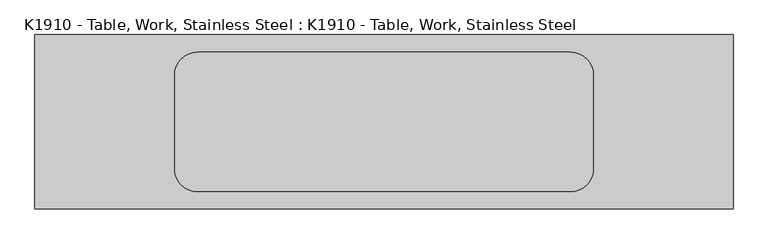
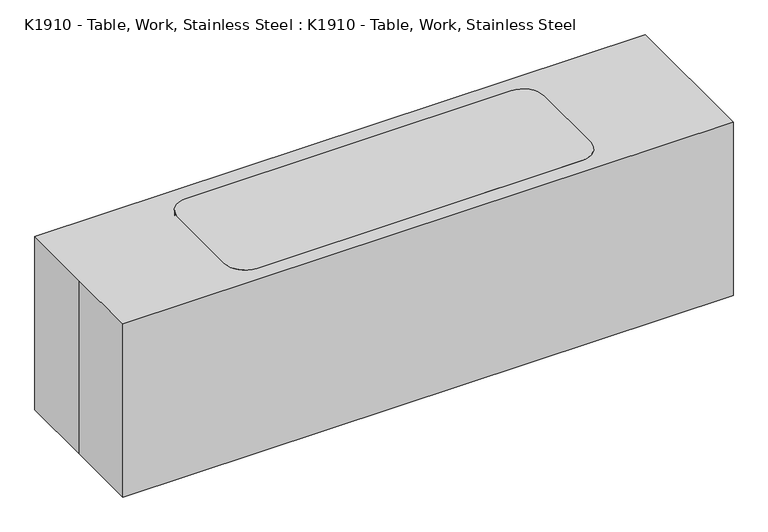
"""IFC4 building model written with IfcOpenShell, lengths in millimetres: proxy geometry, K1910 - Table, Work, Stainless Steel : K1910 - Table, Work, Stainless Steel."""

from ifc_helpers import new_model, si_unit, point, frame, frame_2d, origin, origin_with_axes, place, context, project, spatial, polyline, circle_curve, trimmed, segment, composite_curve, outline, extrude, source, transform, mapped, element, save


def k1910_table_work_stainless_steel_k1910_table_work_stainless_b0c6c40e(model_context):
    return source(origin(), model_context, "Body", "SweptSolid", [
        extrude(outline(composite_curve([segment(trimmed(circle_curve(frame_2d((-812.8, -203.2)), 38.1), [point((-774.7, -203.2))], [point((-850.9, -203.2))], False, "CARTESIAN"), True, "CONTINUOUS"), segment(trimmed(circle_curve(frame_2d((-812.8, -203.2)), 38.1), [point((-850.9, -203.2))], [point((-774.7, -203.2))], False, "CARTESIAN"), True, "CONTINUOUS")], self_intersect=False)), origin_with_axes(), (0.0, 0.0, 1.0), 863.6),
        extrude(outline(composite_curve([segment(trimmed(circle_curve(frame_2d((-812.8, 203.2)), 38.1), [point((-774.7, 203.2))], [point((-850.9, 203.2))], False, "CARTESIAN"), True, "CONTINUOUS"), segment(trimmed(circle_curve(frame_2d((-812.8, 203.2)), 38.1), [point((-850.9, 203.2))], [point((-774.7, 203.2))], False, "CARTESIAN"), True, "CONTINUOUS")], self_intersect=False)), origin_with_axes(), (0.0, 0.0, 1.0), 863.6),
        extrude(outline(composite_curve([segment(trimmed(circle_curve(frame_2d((812.8, 203.2)), 38.1), [point((774.7, 203.2))], [point((812.8, 165.1))], True, "CARTESIAN"), True, "CONTINUOUS"), segment(polyline([(812.8, 165.1), (812.8, -165.1)]), True, "CONTINUOUS"), segment(trimmed(circle_curve(frame_2d((812.8, -203.2)), 38.1), [point((812.8, -165.1))], [point((774.7, -203.2))], True, "CARTESIAN"), True, "CONTINUOUS"), segment(polyline([(774.7, -203.2), (-774.7, -203.2)]), True, "CONTINUOUS"), segment(trimmed(circle_curve(frame_2d((-812.8, -203.2)), 38.1), [point((-774.7, -203.2))], [point((-812.8, -165.1))], True, "CARTESIAN"), True, "CONTINUOUS"), segment(polyline([(-812.8, -165.1), (-812.8, 165.1)]), True, "CONTINUOUS"), segment(trimmed(circle_curve(frame_2d((-812.8, 203.2)), 38.1), [point((-812.8, 165.1))], [point((-774.7, 203.2))], True, "CARTESIAN"), True, "CONTINUOUS"), segment(polyline([(-774.7, 203.2), (774.7, 203.2)]), True, "CONTINUOUS")], self_intersect=False)), frame((0.0, 0.0, 304.8), z_axis=(0.0, 0.0, 1.0), x_axis=(1.0, 0.0, 0.0)), (0.0, 0.0, 1.0), 25.4),
        extrude(outline(composite_curve([segment(trimmed(circle_curve(frame_2d((812.8, -203.2)), 38.1), [point((774.7, -203.2))], [point((850.9, -203.2))], False, "CARTESIAN"), True, "CONTINUOUS"), segment(trimmed(circle_curve(frame_2d((812.8, -203.2)), 38.1), [point((850.9, -203.2))], [point((774.7, -203.2))], False, "CARTESIAN"), True, "CONTINUOUS")], self_intersect=False)), origin_with_axes(), (0.0, 0.0, 1.0), 863.6),
        extrude(outline(composite_curve([segment(trimmed(circle_curve(frame_2d((812.8, 203.2)), 38.1), [point((774.7, 203.2))], [point((850.9, 203.2))], False, "CARTESIAN"), True, "CONTINUOUS"), segment(trimmed(circle_curve(frame_2d((812.8, 203.2)), 38.1), [point((850.9, 203.2))], [point((774.7, 203.2))], False, "CARTESIAN"), True, "CONTINUOUS")], self_intersect=False)), origin_with_axes(), (0.0, 0.0, 1.0), 863.6),
        extrude(outline(composite_curve([segment(trimmed(circle_curve(frame_2d((-812.8, 203.2)), 101.6), [point((-914.4, 203.2))], [point((-812.8, 304.8))], False, "CARTESIAN"), True, "CONTINUOUS"), segment(polyline([(-812.8, 304.8), (812.8, 304.8)]), True, "CONTINUOUS"), segment(trimmed(circle_curve(frame_2d((812.8, 203.2)), 101.6), [point((812.8, 304.8))], [point((914.4, 203.2))], False, "CARTESIAN"), True, "CONTINUOUS"), segment(polyline([(914.4, 203.2), (914.4, -203.2)]), True, "CONTINUOUS"), segment(trimmed(circle_curve(frame_2d((812.8, -203.2)), 101.6), [point((914.4, -203.2))], [point((812.8, -304.8))], False, "CARTESIAN"), True, "CONTINUOUS"), segment(polyline([(812.8, -304.8), (-812.8, -304.8)]), True, "CONTINUOUS"), segment(trimmed(circle_curve(frame_2d((-812.8, -203.2)), 101.6), [point((-812.8, -304.8))], [point((-914.4, -203.2))], False, "CARTESIAN"), True, "CONTINUOUS"), segment(polyline([(-914.4, -203.2), (-914.4, 203.2)]), True, "CONTINUOUS")], self_intersect=False)), frame((0.0, 0.0, 863.6), z_axis=(0.0, 0.0, 1.0), x_axis=(1.0, 0.0, 0.0)), (0.0, 0.0, 1.0), 50.8),
        extrude(outline(polyline([(-1524.0, 381.0), (1524.0, 381.0), (1524.0, -381.0), (-1524.0, -381.0), (-1524.0, 0.0), (-1524.0, 381.0)])), origin_with_axes(), (0.0, 0.0, 1.0), 914.4),
    ])


if __name__ == "__main__":
    model = new_model("IFC4")
    model_context = context("Model", 3, world=origin())
    ifc_project = project(units=[si_unit("LENGTHUNIT", "METRE", prefix="MILLI")], contexts=[model_context])
    site = spatial("IfcSite", under=ifc_project)
    building = spatial("IfcBuilding", under=site)
    placement = place(None, origin())
    k1910_table_work_stainless_steel_k1910_table_work_stainless_shape = k1910_table_work_stainless_steel_k1910_table_work_stainless_b0c6c40e(model_context)
    element("IfcBuildingElementProxy", 1, Name="K1910 - Table, Work, Stainless Steel : K1910 - Table, Work, Stainless Steel", ObjectType="K1910 - Table, Work, Stainless Steel : K1910 - Table, Work, Stainless Steel", at=placement, inside=building, context=model_context, shape_type="MappedRepresentation", body=[
        mapped(k1910_table_work_stainless_steel_k1910_table_work_stainless_shape, transform((0.0, 0.0, 0.0), x_axis=(1.0, 0.0, 0.0), y_axis=(0.0, 1.0, 0.0), z_axis=(0.0, 0.0, 1.0))),
    ])
    save(model, "model.ifc")
